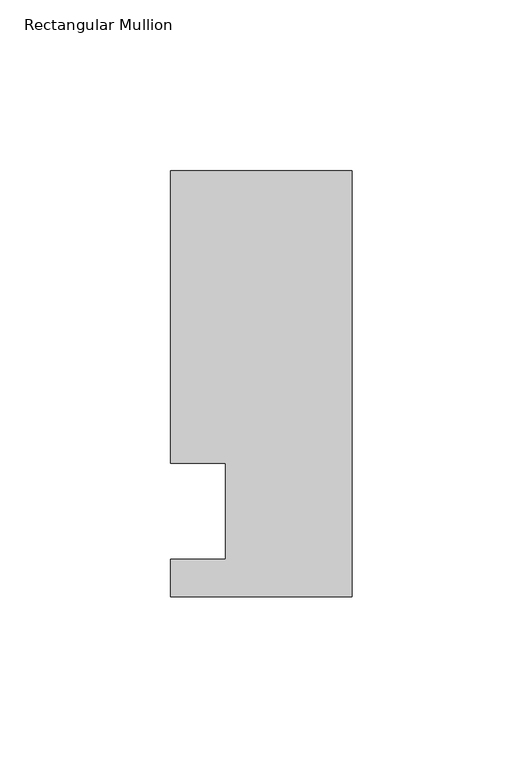
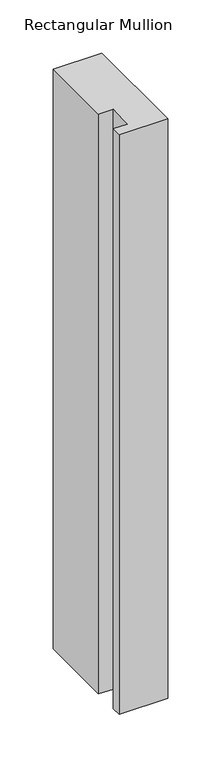
"""IFC4 building model written with IfcOpenShell, lengths in millimetres: member geometry, Rectangular Mullion."""

from ifc_helpers import new_model, si_unit, frame, origin, place, context, project, spatial, polyline, outline, extrude, source, transform, mapped, element, save


def rectangular_mullion_de577351(model_context):
    return source(origin(), model_context, "Body", "SweptSolid", [
        extrude(outline(polyline([(0.0, -25.0), (-53.0, -25.0), (-53.0, -14.0), (-37.0, -14.0), (-37.0, 14.0), (-53.0, 14.0), (-53.0, 99.5), (0.0, 99.5), (0.0, -25.0)])), frame((0.0, 0.0, -668.1000095), z_axis=(0.0, 0.0, 1.0), x_axis=(1.0, 0.0, 0.0)), (0.0, 0.0, 1.0), 668.1000095),
    ])


if __name__ == "__main__":
    model = new_model("IFC4")
    model_context = context("Model", 3, world=origin())
    ifc_project = project(units=[si_unit("LENGTHUNIT", "METRE", prefix="MILLI")], contexts=[model_context])
    site = spatial("IfcSite", under=ifc_project)
    building = spatial("IfcBuilding", under=site)
    placement = place(None, origin())
    rectangular_mullion_shape = rectangular_mullion_de577351(model_context)
    element("IfcMember", 1, ObjectType="Rectangular Mullion", at=placement, inside=building, context=model_context, shape_type="MappedRepresentation", body=[
        mapped(rectangular_mullion_shape, transform((0.0, 0.0, 0.0), x_axis=(1.0, 0.0, 0.0), y_axis=(0.0, 1.0, 0.0), z_axis=(0.0, 0.0, 1.0))),
    ])
    save(model, "model.ifc")
